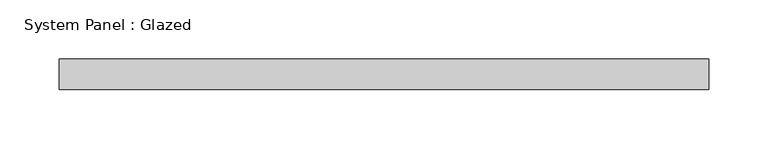
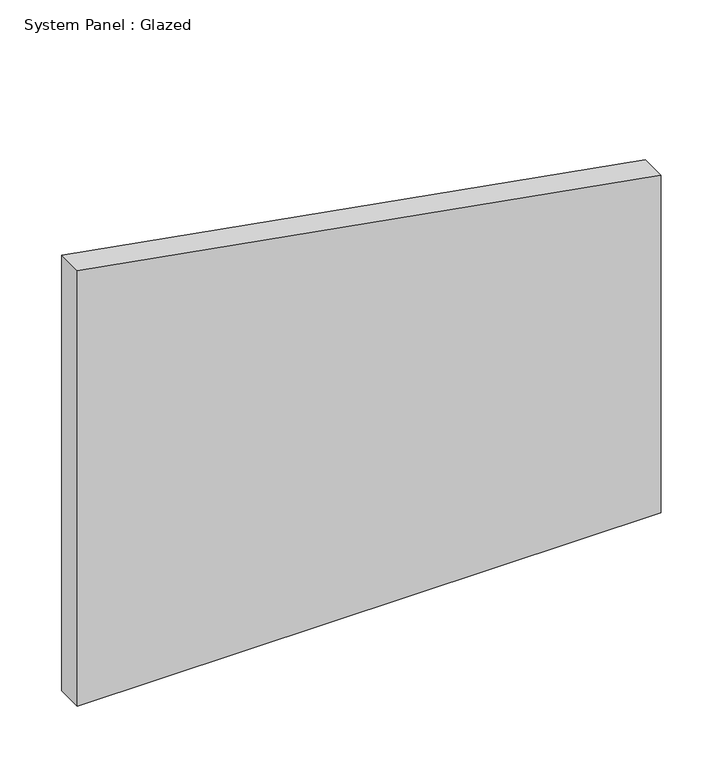
"""IFC4 building model written with IfcOpenShell, lengths in millimetres: plate geometry, System Panel : Glazed."""

from ifc_helpers import new_model, si_unit, frame, origin, place, context, project, spatial, polyline, outline, extrude, source, transform, mapped, element, save


def system_panel_glazed_ff1bb947(model_context):
    return source(origin(), model_context, "Body", "SweptSolid", [
        extrude(outline(polyline([(0.0, -273.05), (0.0, 273.05), (333.9624359, 273.05), (430.6565143, -273.05), (0.0, -273.05)])), frame((0.0, 19.05, 0.0), z_axis=(0.0, 1.0, 0.0), x_axis=(0.0, 0.0, 1.0)), (0.0, 0.0, 1.0), 25.4),
    ])


if __name__ == "__main__":
    model = new_model("IFC4")
    model_context = context("Model", 3, world=origin())
    ifc_project = project(units=[si_unit("LENGTHUNIT", "METRE", prefix="MILLI")], contexts=[model_context])
    site = spatial("IfcSite", under=ifc_project)
    building = spatial("IfcBuilding", under=site)
    placement = place(None, origin())
    system_panel_glazed_shape = system_panel_glazed_ff1bb947(model_context)
    element("IfcPlate", 1, ObjectType="System Panel : Glazed", at=placement, inside=building, context=model_context, shape_type="MappedRepresentation", body=[
        mapped(system_panel_glazed_shape, transform((0.0, 0.0, 0.0), x_axis=(1.0, 0.0, 0.0), y_axis=(0.0, 1.0, 0.0), z_axis=(0.0, 0.0, 1.0))),
    ])
    save(model, "model.ifc")
